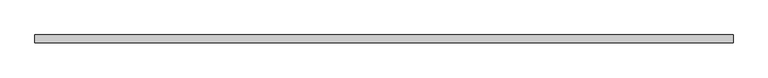
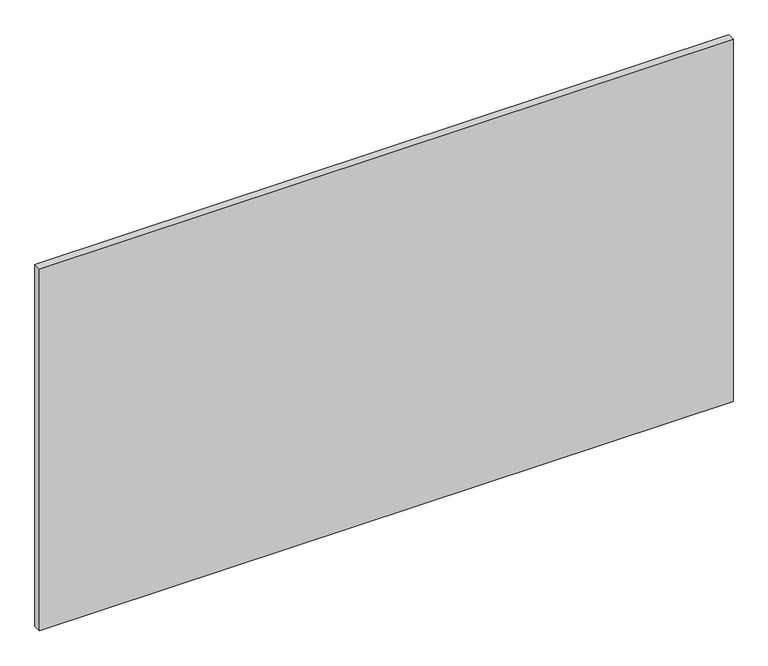
"""IFC4 building model written with IfcOpenShell, lengths in millimetres: plate geometry."""

from ifc_helpers import new_model, si_unit, origin, origin_with_axes, place, context, project, spatial, polyline, outline, extrude, source, transform, mapped, element, save


def plate_20a36940(model_context):
    return source(origin(), model_context, "Body", "SweptSolid", [
        extrude(outline(polyline([(627.75, -40.2), (-627.75, -40.2), (-627.75, -26.2), (627.75, -26.2), (627.75, -40.2)])), origin_with_axes(), (0.0, 0.0, 1.0), 693.2),
    ])


if __name__ == "__main__":
    model = new_model("IFC4")
    model_context = context("Model", 3, world=origin())
    ifc_project = project(units=[si_unit("LENGTHUNIT", "METRE", prefix="MILLI")], contexts=[model_context])
    site = spatial("IfcSite", under=ifc_project)
    building = spatial("IfcBuilding", under=site)
    placement = place(None, origin())
    plate_shape = plate_20a36940(model_context)
    element("IfcPlate", 1, at=placement, inside=building, context=model_context, shape_type="MappedRepresentation", body=[
        mapped(plate_shape, transform((0.0, 0.0, 0.0), x_axis=(1.0, 0.0, 0.0), y_axis=(0.0, 1.0, 0.0), z_axis=(0.0, 0.0, 1.0))),
    ])
    save(model, "model.ifc")
